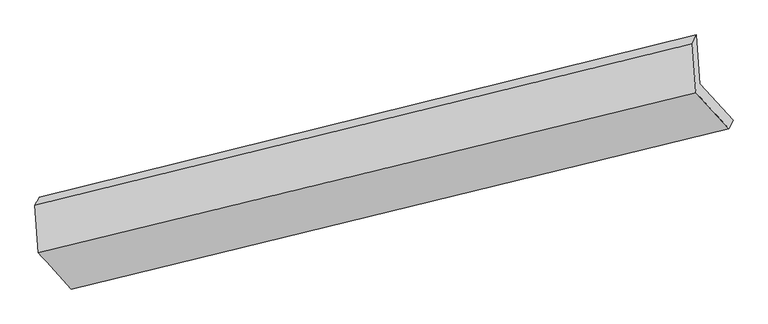
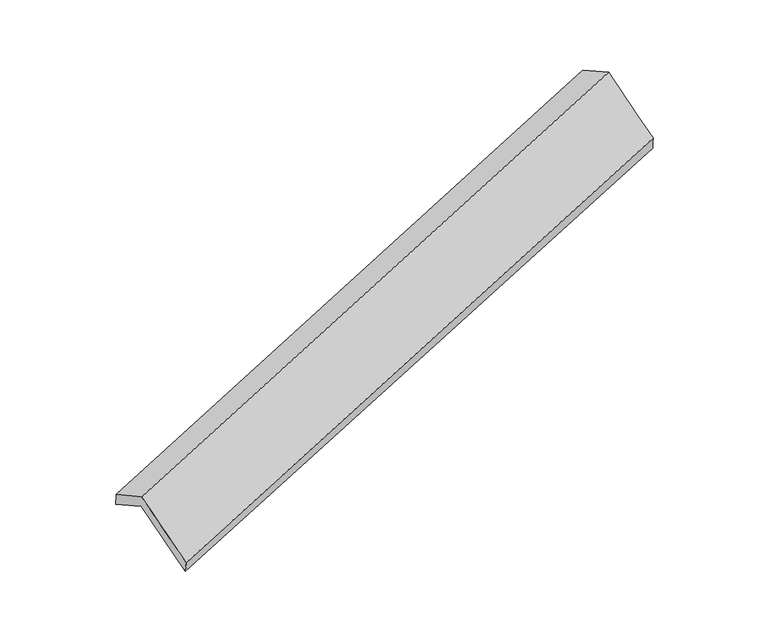
"""IFC4 building model written with IfcOpenShell, lengths in millimetres: proxy geometry."""

from ifc_helpers import new_model, si_unit, frame, origin, place, context, project, spatial, source, transform, mapped, element, save
from ifc_brep_helpers import plane_surface, spline_surface, advanced_brep


def generic_models_4a35cd5a(model_context):
    return source(origin(), model_context, "Body", "AdvancedBrep", [
        advanced_brep(
        [(-5123.7487068, -2368.0195462, 752.9077437), (-5366.5254143, -2102.6040307, 1296.7112261), (-472.7321636, -905.1170831, 2911.6931947), (-224.1795744, -1177.3199531, 2354.0416888), (-5391.349959, -1748.755084, 1112.9245733), (-498.2369056, -541.5726065, 2722.8707519), (-5422.6717151, -1809.8935233, 1252.9722806), (-526.4994536, -607.513636, 2857.314611), (-5397.7907406, -2164.5468197, 1437.176707), (-501.0298456, -970.5573116, 3045.8769413), (-5151.9401415, -2433.3228656, 886.4879143), (-255.5265419, -1239.4207504, 2495.0667991)],
        [
            (0, 1),
            (1, 2),
            (2, 3),
            (3, 0),
            (1, 4),
            (4, 5),
            (5, 2),
            (4, 6),
            (6, 7),
            (7, 5),
            (6, 8),
            (8, 9),
            (9, 7),
            (8, 10),
            (10, 11),
            (11, 9),
            (10, 0),
            (3, 11),
        ],
        [
            spline_surface(1, 1, [[(-5123.7487068, -2368.0195462, 752.9077437), (-224.1795744, -1177.3199531, 2354.0416888)], [(-5366.5254143, -2102.6040307, 1296.7112261), (-472.7321636, -905.1170831, 2911.6931947)]], [2, 2], [2, 2], [0.0, 1.0], [0.0, 1.0]),
            plane_surface(frame((-5378.9376867, -1925.6795574, 1204.8178997), z_axis=(0.3744923748824947, -0.4065607149224246, -0.8333449743273406), x_axis=(-0.06213852575811596, 0.8857222618862197, -0.4600379097593662))),
            spline_surface(1, 1, [[(-5391.349959, -1748.755084, 1112.9245733), (-498.2369056, -541.5726065, 2722.8707519)], [(-5422.6717151, -1809.8935233, 1252.9722806), (-526.4994536, -607.513636, 2857.314611)]], [2, 2], [2, 2], [0.0, 1.0], [0.0, 1.0]),
            plane_surface(frame((-5410.2312279, -1987.2201715, 1345.0744938), z_axis=(-0.37313361801869427, 0.4068892599552329, 0.8337939992812147), x_axis=(0.062138525758116035, -0.8857222618862197, 0.46003790975936626))),
            spline_surface(1, 1, [[(-5397.7907406, -2164.5468197, 1437.176707), (-501.0298456, -970.5573116, 3045.8769413)], [(-5151.9401415, -2433.3228656, 886.4879143), (-255.5265419, -1239.4207504, 2495.0667991)]], [2, 2], [2, 2], [0.0, 1.0], [0.0, 1.0]),
            spline_surface(1, 1, [[(-5151.9401415, -2433.3228656, 886.4879143), (-255.5265419, -1239.4207504, 2495.0667991)], [(-5123.7487068, -2368.0195462, 752.9077437), (-224.1795744, -1177.3199531, 2354.0416888)]], [2, 2], [2, 2], [0.0, 1.0], [0.0, 1.0]),
            plane_surface(frame((-413.0340808, -906.9168901, 2731.1439978), z_axis=(0.9262208706193333, 0.22289100098146858, 0.30403042694875676), x_axis=(0.3718248276349728, -0.40720471077900194, -0.8342245627369241))),
            plane_surface(frame((-5309.0044462, -2104.5236449, 1123.1967408), z_axis=(-0.9260078224264916, -0.22312411833235332, -0.3045080304743334), x_axis=(-0.18628227693699984, -0.43150875905948993, 0.8826659074384294))),
        ],
        [
            (0, [[1, 2, 3, 4]]),
            (1, [[5, 6, 7, -2]]),
            (2, [[8, 9, 10, -6]]),
            (3, [[11, 12, 13, -9]]),
            (4, [[14, 15, 16, -12]]),
            (5, [[17, -4, 18, -15]]),
            (6, [[-16, -18, -3, -7, -10, -13]]),
            (7, [[-17, -14, -11, -8, -5, -1]]),
        ],
    ),
    ])


if __name__ == "__main__":
    model = new_model("IFC4")
    model_context = context("Model", 3, world=origin())
    ifc_project = project(units=[si_unit("LENGTHUNIT", "METRE", prefix="MILLI")], contexts=[model_context])
    site = spatial("IfcSite", under=ifc_project)
    building = spatial("IfcBuilding", under=site)
    placement = place(None, origin())
    generic_models_shape = generic_models_4a35cd5a(model_context)
    element("IfcBuildingElementProxy", 1, Name="Generic Models", at=placement, inside=building, context=model_context, shape_type="MappedRepresentation", body=[
        mapped(generic_models_shape, transform((0.0, 0.0, 0.0), x_axis=(1.0, 0.0, 0.0), y_axis=(0.0, 1.0, 0.0), z_axis=(0.0, 0.0, 1.0))),
    ])
    save(model, "model.ifc")
